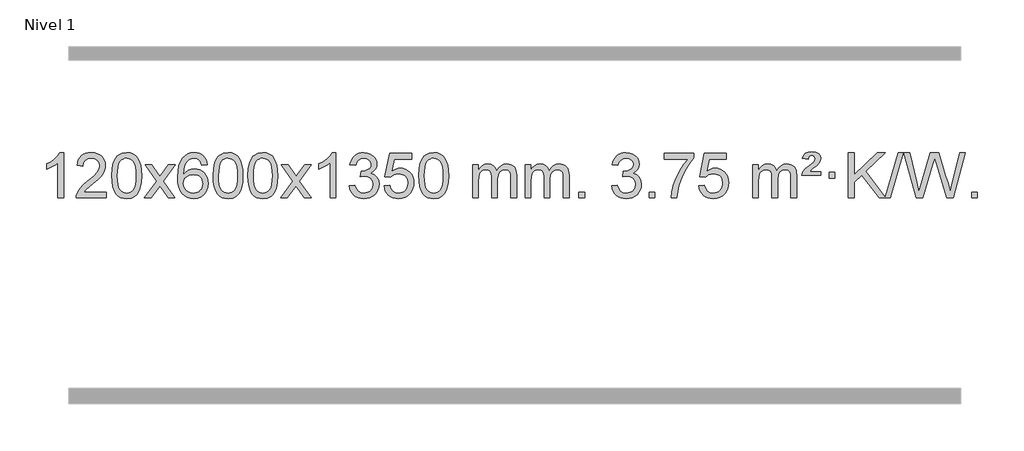
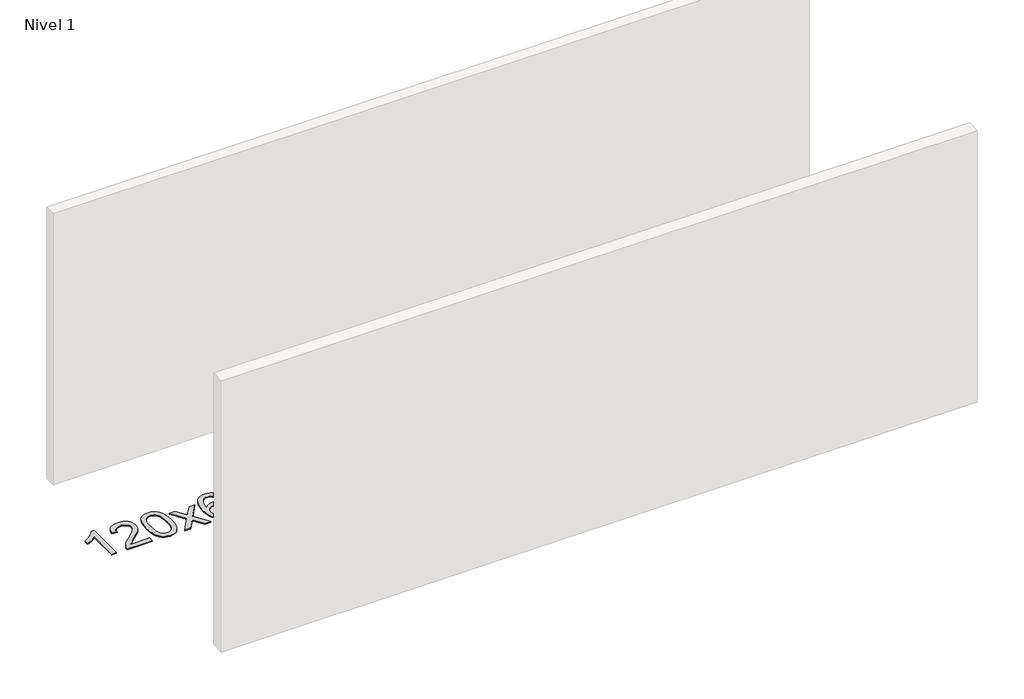
# One storey, part 4 of 10: 1 proxy.
"""IFC4 building model written with IfcOpenShell, lengths in millimetres."""

from ifc_helpers import new_model, si_unit, origin, origin_with_axes, place, context, project, spatial, polyline, outline, extrude, element, save

model = new_model("IFC4")

# Units and contexts
model_context = context("Model", 3, world=origin())
ifc_project = project(units=[si_unit("LENGTHUNIT", "METRE", prefix="MILLI")], contexts=[model_context])

# Site, building, storey
site = spatial("IfcSite", under=ifc_project)
building = spatial("IfcBuilding", under=site)
storey = spatial("IfcBuildingStorey", under=building, Name="Nivel 1", Elevation=0.0)

# Proxy
placement = place(None, origin())
element("IfcBuildingElementProxy", 1, Name="Texto de modelo 1", ObjectType="Texto de modelo 1", at=placement, inside=storey, context=model_context, shape_type="SweptSolid", body=[
    extrude(outline(polyline([(-275.4615788, -12440.579453), (-325.6897338, -12440.579453), (-325.6897338, -12127.4382987), (-346.6590076, -12144.3976587), (-373.2691385, -12161.3324932), (-426.146044, -12186.6918254), (-426.146044, -12139.2105225), (-386.6968314, -12117.7507395), (-352.520594, -12092.219729), (-325.5793692, -12065.0700378), (-307.8351943, -12038.7542124), (-275.4615788, -12038.7542124), (-275.4615788, -12440.579453)])), origin_with_axes(), (0.0, 0.0, 1.0), 10.0),
    extrude(outline(polyline([(101.2495843, -12390.3512979), (101.2495843, -12440.579453), (-162.4482298, -12440.579453), (-161.3445839, -12422.8965918), (-157.0526273, -12405.9494945), (-144.6672667, -12378.8856424), (-126.5429471, -12352.6311307), (-100.3252236, -12325.1503456), (-63.6596514, -12294.4076736), (-9.4583708, -12246.2641831), (23.0623976, -12210.7267824), (39.3227818, -12181.884834), (44.7429098, -12153.8277005), (39.6293501, -12128.6768347), (24.2886709, -12107.7688747), (0.707435, -12093.6789943), (-29.1277948, -12088.9823675), (-60.4590781, -12093.5686297), (-84.8006034, -12107.3274163), (-100.5091646, -12129.1796068), (-105.9415554, -12158.0460807), (-156.1697105, -12151.7675613), (-151.8501627, -12125.838012), (-143.9928164, -12103.1826125), (-132.5976716, -12083.8013627), (-117.6647283, -12067.6942627), (-99.537343, -12055.0329907), (-78.5588722, -12045.989225), (-54.729316, -12040.5629655), (-28.0486743, -12038.7542124), (-1.1289093, -12040.7653006), (22.8294057, -12046.7985654), (43.8262705, -12056.8540066), (61.8616853, -12070.9316242), (76.3470389, -12087.9890861), (86.69372, -12106.9840598), (92.9017287, -12127.9165453), (94.9710649, -12150.7865427), (92.7392475, -12174.8092369), (86.0437952, -12198.4149983), (74.1612067, -12222.4254299), (56.3679809, -12247.6621347), (28.0042791, -12277.7916701), (-15.5897374, -12316.4805933), (-73.3717361, -12364.795762), (-96.033267, -12390.3512979), (101.2495843, -12390.3512979)])), origin_with_axes(), (0.0, 0.0, 1.0), 10.0),
    extrude(outline(polyline([(151.4777394, -12242.9041943), (155.1688221, -12178.5861588), (166.2420701, -12127.2911459), (184.5871189, -12088.2343407), (196.4451819, -12073.0009605), (210.0936039, -12060.6309284), (225.5783702, -12051.0598651), (242.9454661, -12044.2233914), (283.3266464, -12038.7542124), (314.277785, -12041.991574), (341.9915619, -12051.7036586), (365.1681276, -12067.5103217), (382.5076323, -12089.0314184), (395.6042314, -12116.0830078), (406.05208, -12148.4811488), (412.8946851, -12189.6226186), (415.1755535, -12242.9041943), (411.521259, -12306.8543477), (400.5583756, -12358.0267333), (382.3236913, -12397.1203266), (370.4932195, -12412.3996922), (356.8539945, -12424.8341036), (341.3508341, -12434.4695462), (323.928556, -12441.3520052), (283.3266464, -12446.8579724), (255.6619204, -12444.4667394), (231.1364541, -12437.2930405), (209.7502474, -12425.3368757), (191.5033004, -12408.5982449), (173.9921175, -12378.3399508), (161.4841296, -12340.6381776), (153.9793369, -12295.4929255), (151.4777394, -12242.9041943)]), holes=[polyline([(201.7058944, -12242.8060924), (203.1774224, -12286.4706195), (207.5920064, -12321.8148822), (214.9496463, -12348.8388804), (225.2503421, -12367.5426142), (237.709279, -12380.2682656), (251.5416421, -12389.3580165), (266.7474312, -12394.8118671), (283.3266464, -12396.6298173), (299.9058617, -12394.8057357), (315.1116508, -12389.3334911), (328.9440138, -12380.2130833), (341.4029507, -12367.4445124), (351.7036466, -12348.7101217), (359.0612865, -12321.6922549), (363.4758705, -12286.3909118), (364.9473984, -12242.8060924), (363.5249214, -12200.2973278), (359.2574902, -12165.5753989), (352.145105, -12138.6403055), (342.1877657, -12119.4920476), (329.9372952, -12106.1440625), (315.9455167, -12096.6097875), (300.21243, -12090.8892225), (282.7380352, -12088.9823675), (266.2446591, -12090.6623619), (251.2963874, -12095.7023452), (237.89322, -12104.1023175), (226.0351571, -12115.8622786), (215.3911047, -12136.708925), (207.7882101, -12164.8151094), (203.2264734, -12200.1808319), (201.7058944, -12242.8060924)])]), origin_with_axes(), (0.0, 0.0, 1.0), 10.0),
    extrude(outline(polyline([(440.2896311, -12440.579453), (547.6130718, -12292.2494325), (446.5681504, -12145.4890419), (506.9988995, -12145.4890419), (555.7555266, -12216.122385), (578.5151594, -12249.4770192), (598.2336343, -12222.2047007), (653.7592901, -12145.4890419), (714.1900392, -12145.4890419), (608.0438209, -12292.2494325), (710.2659646, -12440.579453), (649.8352155, -12440.579453), (588.3253459, -12351.4048574), (577.0436314, -12335.1199477), (500.7203801, -12440.579453), (440.2896311, -12440.579453)])), origin_with_axes(), (0.0, 0.0, 1.0), 10.0),
    extrude(outline(polyline([(999.0778563, -12145.4890419), (948.8497012, -12151.7675613), (940.7562973, -12126.874213), (929.8179393, -12109.8780648), (907.0337811, -12094.2062918), (879.4916824, -12088.9823675), (856.1434384, -12092.0235253), (834.1686206, -12101.1469988), (815.2962742, -12120.3627017), (799.8820186, -12146.8134171), (789.4709581, -12184.227016), (785.6081972, -12236.3313693), (805.7558678, -12212.8237098), (829.9011894, -12196.2567573), (856.6952614, -12186.434308), (884.7891831, -12183.1601582), (908.922242, -12185.398107), (931.1913654, -12192.1119534), (951.5965534, -12203.3016975), (970.137806, -12218.9673391), (985.5459302, -12238.1769106), (996.5517332, -12259.9984443), (1003.155215, -12284.4319401), (1005.3563756, -12311.4773982), (1001.2115718, -12347.4439945), (988.7771604, -12380.786366), (969.0832109, -12409.0642287), (943.159793, -12429.8372987), (912.184129, -12442.602804), (877.3334413, -12446.8579724), (847.3909126, -12444.0375437), (820.3485203, -12435.5762579), (796.2062643, -12421.4741147), (774.9641448, -12401.7311143), (757.6460999, -12375.5133908), (745.2760678, -12341.9870783), (737.8540485, -12301.1521768), (735.3800421, -12253.0086864), (738.1268943, -12199.0342663), (746.367451, -12152.9693092), (760.1017122, -12114.8138149), (779.3296778, -12084.5677835), (800.1701928, -12064.5243462), (824.3339085, -12050.2076052), (851.820825, -12041.6175606), (882.6309421, -12038.7542124), (905.7645882, -12040.5261773), (926.7032051, -12045.8420722), (945.4467927, -12054.7018969), (961.9953511, -12067.1056515), (975.9012906, -12082.6364031), (986.7170212, -12100.8772186), (994.4425431, -12121.8280983), (999.0778563, -12145.4890419)]), holes=[polyline([(785.6081972, -12310.6925832), (788.514465, -12332.9494439), (797.2332682, -12354.2007605), (810.7713257, -12372.472233), (828.1353558, -12385.7895612), (849.0923668, -12393.9197533), (873.4093667, -12396.6298173), (906.5555345, -12391.0134855), (920.4706709, -12383.9930708), (932.6138425, -12374.1644901), (942.4638829, -12361.9262824), (949.499626, -12347.6769865), (955.1282206, -12313.1451299), (949.5732024, -12279.9989621), (942.6294298, -12266.3781312), (932.9081481, -12254.725469), (920.7281883, -12245.3904634), (906.4083817, -12238.7226022), (871.3492275, -12233.3883133), (838.2521107, -12238.7226022), (810.5751219, -12254.725469), (799.6520924, -12266.2248471), (791.8499284, -12279.3858254), (787.16863, -12294.2084042), (785.6081972, -12310.6925832)])]), origin_with_axes(), (0.0, 0.0, 1.0), 10.0),
    extrude(outline(polyline([(1049.3060113, -12242.9041943), (1052.997094, -12178.5861588), (1064.0703421, -12127.2911459), (1082.4153909, -12088.2343407), (1094.2734539, -12073.0009605), (1107.9218759, -12060.6309284), (1123.4066422, -12051.0598651), (1140.7737381, -12044.2233914), (1181.1549184, -12038.7542124), (1212.1060569, -12041.991574), (1239.8198339, -12051.7036586), (1262.9963996, -12067.5103217), (1280.3359043, -12089.0314184), (1293.4325033, -12116.0830078), (1303.880352, -12148.4811488), (1310.7229571, -12189.6226186), (1313.0038255, -12242.9041943), (1309.349531, -12306.8543477), (1298.3866475, -12358.0267333), (1280.1519633, -12397.1203266), (1268.3214915, -12412.3996922), (1254.6822665, -12424.8341036), (1239.1791061, -12434.4695462), (1221.7568279, -12441.3520052), (1181.1549184, -12446.8579724), (1153.4901924, -12444.4667394), (1128.964726, -12437.2930405), (1107.5785194, -12425.3368757), (1089.3315724, -12408.5982449), (1071.8203894, -12378.3399508), (1059.3124016, -12340.6381776), (1051.8076089, -12295.4929255), (1049.3060113, -12242.9041943)]), holes=[polyline([(1099.5341664, -12242.8060924), (1101.0056944, -12286.4706195), (1105.4202783, -12321.8148822), (1112.7779182, -12348.8388804), (1123.0786141, -12367.5426142), (1135.537551, -12380.2682656), (1149.369914, -12389.3580165), (1164.5757032, -12394.8118671), (1181.1549184, -12396.6298173), (1197.7341337, -12394.8057357), (1212.9399228, -12389.3334911), (1226.7722858, -12380.2130833), (1239.2312227, -12367.4445124), (1249.5319186, -12348.7101217), (1256.8895585, -12321.6922549), (1261.3041424, -12286.3909118), (1262.7756704, -12242.8060924), (1261.3531934, -12200.2973278), (1257.0857622, -12165.5753989), (1249.973377, -12138.6403055), (1240.0160376, -12119.4920476), (1227.7655672, -12106.1440625), (1213.7737886, -12096.6097875), (1198.040702, -12090.8892225), (1180.5663072, -12088.9823675), (1164.0729311, -12090.6623619), (1149.1246594, -12095.7023452), (1135.721492, -12104.1023175), (1123.863429, -12115.8622786), (1113.2193766, -12136.708925), (1105.6164821, -12164.8151094), (1101.0547453, -12200.1808319), (1099.5341664, -12242.8060924)])]), origin_with_axes(), (0.0, 0.0, 1.0), 10.0),
    extrude(outline(polyline([(1356.9534612, -12242.9041943), (1360.6445439, -12178.5861588), (1371.7177919, -12127.2911459), (1390.0628407, -12088.2343407), (1401.9209037, -12073.0009605), (1415.5693257, -12060.6309284), (1431.054092, -12051.0598651), (1448.4211879, -12044.2233914), (1488.8023682, -12038.7542124), (1519.7535068, -12041.991574), (1547.4672837, -12051.7036586), (1570.6438494, -12067.5103217), (1587.9833541, -12089.0314184), (1601.0799532, -12116.0830078), (1611.5278018, -12148.4811488), (1618.3704069, -12189.6226186), (1620.6512753, -12242.9041943), (1616.9969808, -12306.8543477), (1606.0340974, -12358.0267333), (1587.7994131, -12397.1203266), (1575.9689413, -12412.3996922), (1562.3297163, -12424.8341036), (1546.8265559, -12434.4695462), (1529.4042778, -12441.3520052), (1488.8023682, -12446.8579724), (1461.1376422, -12444.4667394), (1436.6121759, -12437.2930405), (1415.2259692, -12425.3368757), (1396.9790222, -12408.5982449), (1379.4678393, -12378.3399508), (1366.9598514, -12340.6381776), (1359.4550587, -12295.4929255), (1356.9534612, -12242.9041943)]), holes=[polyline([(1407.1816162, -12242.8060924), (1408.6531442, -12286.4706195), (1413.0677282, -12321.8148822), (1420.4253681, -12348.8388804), (1430.7260639, -12367.5426142), (1443.1850008, -12380.2682656), (1457.0173639, -12389.3580165), (1472.223153, -12394.8118671), (1488.8023682, -12396.6298173), (1505.3815835, -12394.8057357), (1520.5873726, -12389.3334911), (1534.4197356, -12380.2130833), (1546.8786725, -12367.4445124), (1557.1793684, -12348.7101217), (1564.5370083, -12321.6922549), (1568.9515923, -12286.3909118), (1570.4231202, -12242.8060924), (1569.0006432, -12200.2973278), (1564.733212, -12165.5753989), (1557.6208268, -12138.6403055), (1547.6634875, -12119.4920476), (1535.413017, -12106.1440625), (1521.4212385, -12096.6097875), (1505.6881518, -12090.8892225), (1488.213757, -12088.9823675), (1471.7203809, -12090.6623619), (1456.7721092, -12095.7023452), (1443.3689418, -12104.1023175), (1431.5108789, -12115.8622786), (1420.8668265, -12136.708925), (1413.2639319, -12164.8151094), (1408.7021952, -12200.1808319), (1407.1816162, -12242.8060924)])]), origin_with_axes(), (0.0, 0.0, 1.0), 10.0),
    extrude(outline(polyline([(1645.7653528, -12440.579453), (1753.0887936, -12292.2494325), (1652.0438722, -12145.4890419), (1712.4746213, -12145.4890419), (1761.2312484, -12216.122385), (1783.9908812, -12249.4770192), (1803.7093561, -12222.2047007), (1859.2350119, -12145.4890419), (1919.665761, -12145.4890419), (1813.5195426, -12292.2494325), (1915.7416864, -12440.579453), (1855.3109373, -12440.579453), (1793.8010677, -12351.4048574), (1782.5193532, -12335.1199477), (1706.1961019, -12440.579453), (1645.7653528, -12440.579453)])), origin_with_axes(), (0.0, 0.0, 1.0), 10.0),
    extrude(outline(polyline([(2135.4898648, -12440.579453), (2085.2617098, -12440.579453), (2085.2617098, -12127.4382987), (2064.292436, -12144.3976587), (2037.682305, -12161.3324932), (1984.8053996, -12186.6918254), (1984.8053996, -12139.2105225), (2024.2546122, -12117.7507395), (2058.4308496, -12092.219729), (2085.3720743, -12065.0700378), (2103.1162492, -12038.7542124), (2135.4898648, -12038.7542124), (2135.4898648, -12440.579453)])), origin_with_axes(), (0.0, 0.0, 1.0), 10.0),
    extrude(outline(polyline([(2254.7817331, -12333.8446235), (2305.0098882, -12327.5661041), (2316.2548145, -12359.1303793), (2332.7236652, -12380.4430095), (2355.2257805, -12392.5831154), (2384.570501, -12396.6298173), (2419.0042558, -12391.0625364), (2433.2780772, -12384.1034354), (2445.5898613, -12374.3606939), (2462.5860095, -12349.4428201), (2468.2513922, -12319.2274455), (2462.6350604, -12290.5449126), (2445.786065, -12267.2825078), (2420.27958, -12251.8682522), (2388.6907794, -12246.730167), (2353.4722097, -12252.2238715), (2359.064016, -12201.9957164), (2367.108369, -12202.5843276), (2397.2011162, -12198.979084), (2424.1055528, -12188.1633534), (2435.1788008, -12179.9841103), (2443.0882637, -12169.8673555), (2447.8339415, -12157.8130888), (2449.415834, -12143.8213102), (2444.8295718, -12122.1285352), (2431.0707852, -12104.5315131), (2410.076986, -12092.8696539), (2383.7856861, -12088.9823675), (2357.4453352, -12092.9064421), (2335.9119758, -12104.6786659), (2320.1911519, -12124.299039), (2311.2884076, -12151.7675613), (2261.0602525, -12145.4890419), (2267.0138095, -12121.5092672), (2275.8491087, -12100.3867093), (2287.5661503, -12082.1213683), (2302.1649341, -12066.713244), (2319.1856078, -12054.4811677), (2338.1683187, -12045.7439703), (2359.113067, -12040.5016519), (2382.0198525, -12038.7542124), (2413.5963904, -12042.2000404), (2442.5977544, -12052.5375245), (2467.0496443, -12068.8469596), (2484.9777602, -12090.2086408), (2495.9774319, -12114.8199463), (2499.6439891, -12140.8782543), (2496.1613729, -12165.1584659), (2485.7135242, -12187.1823347), (2468.4475959, -12205.9443165), (2444.5107408, -12220.4388671), (2475.9523886, -12233.1430586), (2499.2515817, -12254.77452), (2513.6725559, -12284.1560286), (2518.4795473, -12320.1103623), (2516.0760516, -12345.5923218), (2508.8655645, -12369.0631931), (2496.848086, -12390.5229762), (2480.023616, -12409.971671), (2459.5264575, -12426.1094278), (2436.4909133, -12437.636397), (2410.9169832, -12444.5525785), (2382.8046674, -12446.8579724), (2357.3962843, -12444.8898037), (2334.2442441, -12438.9852977), (2313.3485468, -12429.1444543), (2294.7091923, -12415.3672736), (2279.0803389, -12398.4630959), (2267.2161446, -12379.2412617), (2259.1166093, -12357.7017708), (2254.7817331, -12333.8446235)])), origin_with_axes(), (0.0, 0.0, 1.0), 10.0),
    extrude(outline(polyline([(2562.429183, -12333.8446235), (2612.657338, -12327.5661041), (2621.8789134, -12357.7201649), (2637.9676193, -12379.3148381), (2660.8498794, -12392.3010725), (2690.4521173, -12396.6298173), (2709.581981, -12395.1245668), (2726.4555019, -12390.6088153), (2741.0726798, -12383.0825628), (2753.4335149, -12372.5458094), (2763.2620955, -12359.519721), (2770.2825102, -12344.5254641), (2775.898842, -12308.6324441), (2770.6381295, -12274.8363514), (2764.0622388, -12260.9181493), (2754.8559919, -12248.9865099), (2742.9887319, -12239.4154467), (2728.4298019, -12232.5789729), (2691.2369322, -12227.1097939), (2666.8708814, -12229.2925604), (2647.1401437, -12235.8408599), (2631.3825316, -12245.8717757), (2618.9358574, -12258.5023908), (2568.7077023, -12252.2238715), (2612.657338, -12045.0327318), (2807.291439, -12045.0327318), (2807.291439, -12095.2608869), (2653.2715103, -12095.2608869), (2631.7872018, -12205.919791), (2649.5129826, -12193.2155994), (2667.667959, -12184.1411769), (2686.2521312, -12178.6965234), (2705.265499, -12176.8816388), (2729.726586, -12179.1318504), (2752.1949788, -12185.882485), (2772.6706775, -12197.1335427), (2791.1536821, -12212.8850234), (2806.4545074, -12232.1743027), (2817.3836684, -12254.038756), (2823.9411649, -12278.4783832), (2826.1269971, -12305.4931844), (2824.1588284, -12331.5147042), (2818.2543224, -12355.7213394), (2808.413479, -12378.1130902), (2794.6362983, -12398.6899565), (2773.7651265, -12419.7634634), (2749.4113384, -12434.8159684), (2721.5749341, -12443.8474714), (2690.2559136, -12446.8579724), (2664.3355613, -12444.9235262), (2640.922938, -12439.1201877), (2620.0180436, -12429.447957), (2601.6208782, -12415.9068338), (2586.3139215, -12399.1712688), (2574.6796534, -12379.915712), (2566.7180739, -12358.1401636), (2562.429183, -12333.8446235)])), origin_with_axes(), (0.0, 0.0, 1.0), 10.0),
    extrude(outline(polyline([(2870.0766328, -12242.9041943), (2873.7677155, -12178.5861588), (2884.8409635, -12127.2911459), (2903.1860124, -12088.2343407), (2915.0440753, -12073.0009605), (2928.6924974, -12060.6309284), (2944.1772637, -12051.0598651), (2961.5443595, -12044.2233914), (3001.9255399, -12038.7542124), (3032.8766784, -12041.991574), (3060.5904554, -12051.7036586), (3083.7670211, -12067.5103217), (3101.1065258, -12089.0314184), (3114.2031248, -12116.0830078), (3124.6509735, -12148.4811488), (3131.4935786, -12189.6226186), (3133.7744469, -12242.9041943), (3130.1201525, -12306.8543477), (3119.157269, -12358.0267333), (3100.9225848, -12397.1203266), (3089.0921129, -12412.3996922), (3075.452888, -12424.8341036), (3059.9497276, -12434.4695462), (3042.5274494, -12441.3520052), (3001.9255399, -12446.8579724), (2974.2608138, -12444.4667394), (2949.7353475, -12437.2930405), (2928.3491408, -12425.3368757), (2910.1021939, -12408.5982449), (2892.5910109, -12378.3399508), (2880.0830231, -12340.6381776), (2872.5782304, -12295.4929255), (2870.0766328, -12242.9041943)]), holes=[polyline([(2920.3047879, -12242.8060924), (2921.7763158, -12286.4706195), (2926.1908998, -12321.8148822), (2933.5485397, -12348.8388804), (2943.8492356, -12367.5426142), (2956.3081725, -12380.2682656), (2970.1405355, -12389.3580165), (2985.3463246, -12394.8118671), (3001.9255399, -12396.6298173), (3018.5047551, -12394.8057357), (3033.7105442, -12389.3334911), (3047.5429073, -12380.2130833), (3060.0018442, -12367.4445124), (3070.30254, -12348.7101217), (3077.6601799, -12321.6922549), (3082.0747639, -12286.3909118), (3083.5462919, -12242.8060924), (3082.1238148, -12200.2973278), (3077.8563837, -12165.5753989), (3070.7439984, -12138.6403055), (3060.7866591, -12119.4920476), (3048.5361887, -12106.1440625), (3034.5444101, -12096.6097875), (3018.8113234, -12090.8892225), (3001.3369287, -12088.9823675), (2984.8435526, -12090.6623619), (2969.8952808, -12095.7023452), (2956.4921135, -12104.1023175), (2944.6340505, -12115.8622786), (2933.9899981, -12136.708925), (2926.3871035, -12164.8151094), (2921.8253668, -12200.1808319), (2920.3047879, -12242.8060924)])]), origin_with_axes(), (0.0, 0.0, 1.0), 10.0),
    extrude(outline(polyline([(3347.244106, -12440.579453), (3347.244106, -12145.4890419), (3397.4722611, -12145.4890419), (3397.4722611, -12194.0494653), (3412.5799483, -12171.7435537), (3432.0041177, -12154.2691589), (3455.0825815, -12142.9751816), (3481.1531522, -12139.2105225), (3509.0876584, -12143.048758), (3531.4794092, -12154.5634645), (3548.2057772, -12172.9943524), (3559.1441352, -12197.5811324), (3577.4523959, -12172.0439906), (3598.3358304, -12153.803175), (3621.794439, -12142.8586857), (3647.8282215, -12139.2105225), (3667.9360383, -12140.7280358), (3685.585177, -12145.2805755), (3700.7756377, -12152.8681416), (3713.5074204, -12163.4907342), (3723.5720587, -12177.2709806), (3730.761086, -12194.3315082), (3735.0745024, -12214.6723168), (3736.5123078, -12238.2934066), (3736.5123078, -12440.579453), (3686.2841528, -12440.579453), (3686.2841528, -12259.875817), (3685.1191931, -12234.8230531), (3681.6243142, -12217.9372695), (3675.0760146, -12206.3735121), (3664.7507933, -12197.2868268), (3651.4702533, -12191.4007149), (3636.0559977, -12189.4386776), (3608.8449928, -12194.4663982), (3586.6617085, -12209.54956), (3578.0563355, -12221.1194488), (3571.9096405, -12235.7182326), (3566.9922845, -12274.0024856), (3566.9922845, -12440.579453), (3516.7641294, -12440.579453), (3516.7641294, -12254.2840106), (3513.8578616, -12225.8835206), (3505.1390583, -12205.6254854), (3489.7983791, -12193.4853796), (3467.0264836, -12189.4386776), (3447.6758907, -12192.1364789), (3429.8458767, -12200.2298828), (3415.1305968, -12213.5226856), (3405.1242066, -12231.8186835), (3399.3852475, -12257.2025411), (3397.4722611, -12291.7589232), (3397.4722611, -12440.579453), (3347.244106, -12440.579453)])), origin_with_axes(), (0.0, 0.0, 1.0), 10.0),
    extrude(outline(polyline([(3811.8545404, -12440.579453), (3811.8545404, -12145.4890419), (3862.0826955, -12145.4890419), (3862.0826955, -12194.0494653), (3877.1903828, -12171.7435537), (3896.6145521, -12154.2691589), (3919.693016, -12142.9751816), (3945.7635867, -12139.2105225), (3973.6980929, -12143.048758), (3996.0898436, -12154.5634645), (4012.8162117, -12172.9943524), (4023.7545697, -12197.5811324), (4042.0628303, -12172.0439906), (4062.9462649, -12153.803175), (4086.4048734, -12142.8586857), (4112.438656, -12139.2105225), (4132.5464727, -12140.7280358), (4150.1956114, -12145.2805755), (4165.3860721, -12152.8681416), (4178.1178548, -12163.4907342), (4188.1824931, -12177.2709806), (4195.3715204, -12194.3315082), (4199.6849368, -12214.6723168), (4201.1227423, -12238.2934066), (4201.1227423, -12440.579453), (4150.8945872, -12440.579453), (4150.8945872, -12259.875817), (4149.7296276, -12234.8230531), (4146.2347486, -12217.9372695), (4139.6864491, -12206.3735121), (4129.3612278, -12197.2868268), (4116.0806877, -12191.4007149), (4100.6664321, -12189.4386776), (4073.4554272, -12194.4663982), (4051.2721429, -12209.54956), (4042.6667699, -12221.1194488), (4036.5200749, -12235.7182326), (4031.6027189, -12274.0024856), (4031.6027189, -12440.579453), (3981.3745638, -12440.579453), (3981.3745638, -12254.2840106), (3978.4682961, -12225.8835206), (3969.7494928, -12205.6254854), (3954.4088136, -12193.4853796), (3931.6369181, -12189.4386776), (3912.2863251, -12192.1364789), (3894.4563111, -12200.2298828), (3879.7410313, -12213.5226856), (3869.734641, -12231.8186835), (3863.9956819, -12257.2025411), (3862.0826955, -12291.7589232), (3862.0826955, -12440.579453), (3811.8545404, -12440.579453)])), origin_with_axes(), (0.0, 0.0, 1.0), 10.0),
    extrude(outline(polyline([(4289.0220137, -12440.579453), (4289.0220137, -12390.3512979), (4339.2501687, -12390.3512979), (4339.2501687, -12440.579453), (4289.0220137, -12440.579453)])), origin_with_axes(), (0.0, 0.0, 1.0), 10.0),
    extrude(outline(polyline([(4577.8339053, -12333.8446235), (4628.0620604, -12327.5661041), (4639.3069867, -12359.1303793), (4655.7758374, -12380.4430095), (4678.2779528, -12392.5831154), (4707.6226732, -12396.6298173), (4742.056428, -12391.0625364), (4756.3302494, -12384.1034354), (4768.6420335, -12374.3606939), (4785.6381817, -12349.4428201), (4791.3035644, -12319.2274455), (4785.6872326, -12290.5449126), (4768.8382372, -12267.2825078), (4743.3317522, -12251.8682522), (4711.7429516, -12246.730167), (4676.5243819, -12252.2238715), (4682.1161882, -12201.9957164), (4690.1605412, -12202.5843276), (4720.2532884, -12198.979084), (4747.157725, -12188.1633534), (4758.230973, -12179.9841103), (4766.1404359, -12169.8673555), (4770.8861137, -12157.8130888), (4772.4680063, -12143.8213102), (4767.881744, -12122.1285352), (4754.1229574, -12104.5315131), (4733.1291582, -12092.8696539), (4706.8378583, -12088.9823675), (4680.4975075, -12092.9064421), (4658.964148, -12104.6786659), (4643.2433241, -12124.299039), (4634.3405798, -12151.7675613), (4584.1124247, -12145.4890419), (4590.0659817, -12121.5092672), (4598.9012809, -12100.3867093), (4610.6183225, -12082.1213683), (4625.2171063, -12066.713244), (4642.23778, -12054.4811677), (4661.2204909, -12045.7439703), (4682.1652392, -12040.5016519), (4705.0720247, -12038.7542124), (4736.6485627, -12042.2000404), (4765.6499266, -12052.5375245), (4790.1018166, -12068.8469596), (4808.0299325, -12090.2086408), (4819.0296041, -12114.8199463), (4822.6961613, -12140.8782543), (4819.2135451, -12165.1584659), (4808.7656964, -12187.1823347), (4791.4997681, -12205.9443165), (4767.562913, -12220.4388671), (4799.0045608, -12233.1430586), (4822.3037539, -12254.77452), (4836.7247281, -12284.1560286), (4841.5317195, -12320.1103623), (4839.1282238, -12345.5923218), (4831.9177367, -12369.0631931), (4819.9002582, -12390.5229762), (4803.0757883, -12409.971671), (4782.5786298, -12426.1094278), (4759.5430855, -12437.636397), (4733.9691555, -12444.5525785), (4705.8568397, -12446.8579724), (4680.4484565, -12444.8898037), (4657.2964163, -12438.9852977), (4636.400719, -12429.1444543), (4617.7613645, -12415.3672736), (4602.1325111, -12398.4630959), (4590.2683168, -12379.2412617), (4582.1687815, -12357.7017708), (4577.8339053, -12333.8446235)])), origin_with_axes(), (0.0, 0.0, 1.0), 10.0),
    extrude(outline(polyline([(4910.5954327, -12440.579453), (4910.5954327, -12390.3512979), (4960.8235878, -12390.3512979), (4960.8235878, -12440.579453), (4910.5954327, -12440.579453)])), origin_with_axes(), (0.0, 0.0, 1.0), 10.0),
    extrude(outline(polyline([(5042.4443398, -12095.2608869), (5042.4443398, -12045.0327318), (5306.1421539, -12045.0327318), (5306.1421539, -12085.646904), (5268.5568767, -12133.214046), (5231.3394816, -12193.7061088), (5198.5121449, -12261.6048623), (5174.0970431, -12331.3920768), (5162.1286155, -12383.6067947), (5155.4576887, -12440.579453), (5105.2295336, -12440.579453), (5110.6619244, -12388.8061935), (5125.1932632, -12327.2717985), (5148.4311426, -12262.0463207), (5179.983155, -12199.1998132), (5216.8204055, -12142.3865704), (5255.9139988, -12095.2608869), (5042.4443398, -12095.2608869)])), origin_with_axes(), (0.0, 0.0, 1.0), 10.0),
    extrude(outline(polyline([(5350.0917896, -12333.8446235), (5400.3199447, -12327.5661041), (5409.54152, -12357.7201649), (5425.630226, -12379.3148381), (5448.5124861, -12392.3010725), (5478.1147239, -12396.6298173), (5497.2445877, -12395.1245668), (5514.1181085, -12390.6088153), (5528.7352865, -12383.0825628), (5541.0961215, -12372.5458094), (5550.9247021, -12359.519721), (5557.9451169, -12344.5254641), (5563.5614487, -12308.6324441), (5558.3007361, -12274.8363514), (5551.7248455, -12260.9181493), (5542.5185986, -12248.9865099), (5530.6513385, -12239.4154467), (5516.0924086, -12232.5789729), (5478.8995389, -12227.1097939), (5454.533488, -12229.2925604), (5434.8027504, -12235.8408599), (5419.0451382, -12245.8717757), (5406.5984641, -12258.5023908), (5356.370309, -12252.2238715), (5400.3199447, -12045.0327318), (5594.9540456, -12045.0327318), (5594.9540456, -12095.2608869), (5440.934117, -12095.2608869), (5419.4498084, -12205.919791), (5437.1755892, -12193.2155994), (5455.3305657, -12184.1411769), (5473.9147378, -12178.6965234), (5492.9281056, -12176.8816388), (5517.3891926, -12179.1318504), (5539.8575855, -12185.882485), (5560.3332842, -12197.1335427), (5578.8162887, -12212.8850234), (5594.1171141, -12232.1743027), (5605.046275, -12254.038756), (5611.6037716, -12278.4783832), (5613.7896038, -12305.4931844), (5611.8214351, -12331.5147042), (5605.9169291, -12355.7213394), (5596.0760857, -12378.1130902), (5582.298905, -12398.6899565), (5561.4277331, -12419.7634634), (5537.073945, -12434.8159684), (5509.2375407, -12443.8474714), (5477.9185202, -12446.8579724), (5451.998168, -12444.9235262), (5428.5855447, -12439.1201877), (5407.6806503, -12429.447957), (5389.2834848, -12415.9068338), (5373.9765281, -12399.1712688), (5362.3422601, -12379.915712), (5354.3806805, -12358.1401636), (5350.0917896, -12333.8446235)])), origin_with_axes(), (0.0, 0.0, 1.0), 10.0),
    extrude(outline(polyline([(5827.2592628, -12440.579453), (5827.2592628, -12145.4890419), (5877.4874179, -12145.4890419), (5877.4874179, -12194.0494653), (5892.5951052, -12171.7435537), (5912.0192745, -12154.2691589), (5935.0977383, -12142.9751816), (5961.1683091, -12139.2105225), (5989.1028152, -12143.048758), (6011.494566, -12154.5634645), (6028.2209341, -12172.9943524), (6039.159292, -12197.5811324), (6057.4675527, -12172.0439906), (6078.3509873, -12153.803175), (6101.8095958, -12142.8586857), (6127.8433783, -12139.2105225), (6147.9511951, -12140.7280358), (6165.6003338, -12145.2805755), (6180.7907945, -12152.8681416), (6193.5225772, -12163.4907342), (6203.5872155, -12177.2709806), (6210.7762428, -12194.3315082), (6215.0896592, -12214.6723168), (6216.5274647, -12238.2934066), (6216.5274647, -12440.579453), (6166.2993096, -12440.579453), (6166.2993096, -12259.875817), (6165.1343499, -12234.8230531), (6161.639471, -12217.9372695), (6155.0911715, -12206.3735121), (6144.7659501, -12197.2868268), (6131.4854101, -12191.4007149), (6116.0711545, -12189.4386776), (6088.8601496, -12194.4663982), (6066.6768653, -12209.54956), (6058.0714923, -12221.1194488), (6051.9247973, -12235.7182326), (6047.0074413, -12274.0024856), (6047.0074413, -12440.579453), (5996.7792862, -12440.579453), (5996.7792862, -12254.2840106), (5993.8730184, -12225.8835206), (5985.1542152, -12205.6254854), (5969.813536, -12193.4853796), (5947.0416405, -12189.4386776), (5927.6910475, -12192.1364789), (5909.8610335, -12200.2298828), (5895.1457537, -12213.5226856), (5885.1393634, -12231.8186835), (5879.4004043, -12257.2025411), (5877.4874179, -12291.7589232), (5877.4874179, -12440.579453), (5827.2592628, -12440.579453)])), origin_with_axes(), (0.0, 0.0, 1.0), 10.0),
    extrude(outline(polyline([(6260.4771003, -12239.6668327), (6264.3030731, -12223.8479069), (6272.6417317, -12207.9799302), (6294.1505656, -12182.8413272), (6326.1072483, -12155.1030247), (6370.2530877, -12117.726214), (6377.3899984, -12106.1992448), (6379.7689686, -12094.3779701), (6377.8805077, -12082.2869152), (6372.215125, -12072.5012541), (6362.8463969, -12066.026531), (6349.8478997, -12063.8682899), (6337.4134883, -12065.4869707), (6328.5597949, -12070.343013), (6322.1341227, -12079.8098431), (6316.9837748, -12095.2608869), (6266.7556197, -12088.9823675), (6277.5958759, -12063.7701881), (6294.224142, -12046.2099542), (6317.9893189, -12035.9092583), (6350.2403072, -12032.475693), (6386.0229626, -12036.6082341), (6410.7691581, -12049.0058573), (6425.1901323, -12067.3386434), (6429.9971237, -12089.2766731), (6425.9013708, -12112.1834586), (6413.6141122, -12133.8149199), (6393.0862969, -12153.6314968), (6356.6169284, -12181.6886303), (6331.0123416, -12208.2742358), (6429.9971237, -12208.2742358), (6429.9971237, -12239.6668327), (6260.4771003, -12239.6668327)])), origin_with_axes(), (0.0, 0.0, 1.0), 10.0),
    extrude(outline(polyline([(6505.3393563, -12264.7809102), (6505.3393563, -12214.5527552), (6555.5675114, -12214.5527552), (6555.5675114, -12264.7809102), (6505.3393563, -12264.7809102)])), origin_with_axes(), (0.0, 0.0, 1.0), 10.0),
    extrude(outline(polyline([(6946.2091394, -12440.579453), (6792.7778219, -12237.9009991), (6725.0875348, -12302.4520265), (6725.0875348, -12440.579453), (6674.8593797, -12440.579453), (6674.8593797, -12038.7542124), (6725.0875348, -12038.7542124), (6725.0875348, -12235.4484525), (6931.1014521, -12038.7542124), (7001.3423877, -12038.7542124), (6828.388799, -12203.9577537), (7003.0424089, -12434.5349332), (7114.3557366, -12038.7542124), (7159.6787984, -12038.7542124), (7046.6654495, -12440.579453), (7007.6209071, -12440.579453), (7001.3423877, -12440.579453), (6946.2091394, -12440.579453)])), origin_with_axes(), (0.0, 0.0, 1.0), 10.0),
    extrude(outline(polyline([(7274.1636753, -12440.579453), (7164.5838917, -12038.7542124), (7216.3816766, -12038.7542124), (7279.9516854, -12302.844434), (7299.5720585, -12384.3670841), (7320.5658576, -12312.2622131), (7400.2245723, -12038.7542124), (7474.8800919, -12038.7542124), (7532.7601925, -12237.0180823), (7557.5554389, -12310.5944814), (7575.8269114, -12384.3670841), (7594.8586732, -12305.1988788), (7659.0172932, -12038.7542124), (7710.8150781, -12038.7542124), (7601.1371926, -12440.579453), (7547.4754723, -12440.579453), (7451.1394405, -12130.5775584), (7437.6994849, -12087.3146358), (7422.5917976, -12139.4067263), (7334.7906281, -12440.579453), (7274.1636753, -12440.579453)])), origin_with_axes(), (0.0, 0.0, 1.0), 10.0),
    extrude(outline(polyline([(7767.3217526, -12440.579453), (7767.3217526, -12390.3512979), (7817.5499077, -12390.3512979), (7817.5499077, -12440.579453), (7767.3217526, -12440.579453)])), origin_with_axes(), (0.0, 0.0, 1.0), 10.0),
])

save(model, "model.ifc")
